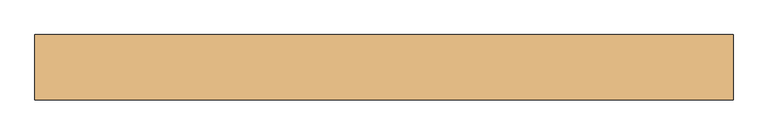
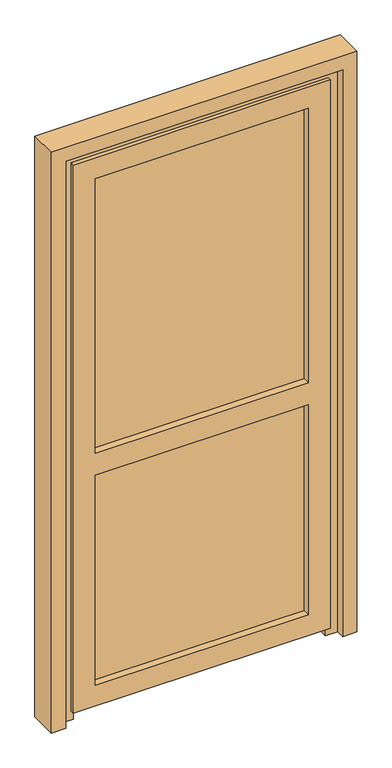
"""IFC4 building model written with IfcOpenShell, lengths in millimetres: door geometry."""

from ifc_helpers import new_model, si_unit, frame, origin, place, context, project, spatial, polyline, outline, extrude, faceted_brep, source, transform, mapped, element, save


def door_e8e77065(model_context):
    return source(origin(), model_context, "Body", "SolidModel", [
        extrude(outline(polyline([(-388.0, 23.0), (388.0, 23.0), (388.0, -1.0), (-388.0, -1.0), (-388.0, 23.0)])), frame((0.0, 0.0, 956.0), z_axis=(0.0, 0.0, 1.0), x_axis=(1.0, 0.0, 0.0)), (0.0, 0.0, 1.0), 1047.0),
        extrude(outline(polyline([(-388.0, 23.0), (388.0, 23.0), (388.0, -1.0), (-388.0, -1.0), (-388.0, 23.0)])), frame((0.0, 0.0, 97.0), z_axis=(0.0, 0.0, 1.0), x_axis=(1.0, 0.0, 0.0)), (0.0, 0.0, 1.0), 807.0),
        faceted_brep([(-373.0, -27.0, 112.0), (-373.0, -1.0, 112.0), (-373.0, -1.0, 889.0), (-373.0, -27.0, 889.0), (-373.0, -1.0, 1988.0), (-373.0, -27.0, 1988.0), (-373.0, -27.0, 971.0), (-373.0, -1.0, 971.0), (-388.0, -1.0, 904.0), (-388.0, -1.0, 97.0), (-388.0, 23.0, 97.0), (-388.0, 23.0, 904.0), (-388.0, 23.0, 956.0), (-388.0, 23.0, 2003.0), (-388.0, -1.0, 2003.0), (-388.0, -1.0, 956.0), (-373.0, 23.0, 112.0), (-373.0, 43.0, 112.0), (-373.0, 43.0, 889.0), (-373.0, 23.0, 889.0), (-373.0, 43.0, 1988.0), (-373.0, 23.0, 1988.0), (-373.0, 23.0, 971.0), (-373.0, 43.0, 971.0), (-430.0, -13.0, 2045.0), (-430.0, 43.0, 2045.0), (-430.0, 43.0, 55.0), (-430.0, -13.0, 55.0), (-430.0, -13.0, 889.0), (-430.0, -13.0, 971.0), (-450.0, -27.0, 2065.0), (-450.0, -13.0, 2065.0), (-450.0, -13.0, 35.0), (-450.0, -27.0, 35.0), (373.0, -27.0, 112.0), (373.0, -1.0, 112.0), (388.0, -1.0, 97.0), (388.0, 23.0, 97.0), (373.0, 23.0, 112.0), (373.0, 43.0, 112.0), (430.0, 43.0, 55.0), (430.0, -13.0, 55.0), (450.0, -13.0, 35.0), (450.0, -27.0, 35.0), (373.0, -27.0, 889.0), (373.0, -1.0, 889.0), (373.0, -27.0, 1988.0), (373.0, -1.0, 1988.0), (373.0, -1.0, 971.0), (373.0, -27.0, 971.0), (388.0, -1.0, 956.0), (388.0, -1.0, 2003.0), (388.0, 23.0, 2003.0), (388.0, 23.0, 956.0), (388.0, 23.0, 904.0), (388.0, -1.0, 904.0), (373.0, 23.0, 889.0), (373.0, 43.0, 889.0), (373.0, 23.0, 1988.0), (373.0, 43.0, 1988.0), (373.0, 43.0, 971.0), (373.0, 23.0, 971.0), (430.0, 43.0, 2045.0), (430.0, -13.0, 2045.0), (430.0, -13.0, 971.0), (430.0, -13.0, 889.0), (450.0, -13.0, 2065.0), (450.0, -27.0, 2065.0)], [[[0, 1, 2, 3]], [[4, 5, 6, 7]], [[8, 9, 10, 11]], [[12, 13, 14, 15]], [[16, 17, 18, 19]], [[20, 21, 22, 23]], [[24, 25, 26, 27, 28, 29]], [[30, 31, 32, 33]], [[1, 0, 34, 35]], [[10, 9, 36, 37]], [[17, 16, 38, 39]], [[27, 26, 40, 41]], [[33, 32, 42, 43]], [[35, 34, 44, 45]], [[46, 47, 48, 49]], [[50, 51, 52, 53]], [[54, 37, 36, 55]], [[39, 38, 56, 57]], [[58, 59, 60, 61]], [[41, 40, 62, 63, 64, 65]], [[43, 42, 66, 67]], [[5, 4, 47, 46]], [[36, 9, 8, 55], [1, 35, 45, 2]], [[14, 51, 50, 15], [47, 4, 7, 48]], [[14, 13, 52, 51]], [[10, 37, 54, 11], [16, 19, 56, 38]], [[52, 13, 12, 53], [58, 61, 22, 21]], [[21, 20, 59, 58]], [[40, 26, 25, 62], [20, 23, 60, 59], [17, 39, 57, 18]], [[25, 24, 63, 62]], [[32, 31, 66, 42], [27, 41, 65, 64, 63, 24, 29, 28]], [[31, 30, 67, 66]], [[30, 33, 43, 67], [34, 0, 3, 44], [46, 49, 6, 5]], [[22, 61, 60, 23]], [[56, 19, 18, 57]], [[11, 54, 55, 8]], [[44, 3, 2, 45]], [[6, 49, 48, 7]], [[53, 12, 15, 50]]]),
        faceted_brep([(422.0, 59.0, 0.0), (485.0, 59.0, 0.0), (485.0, -11.0, 0.0), (442.0, -11.0, 0.0), (442.0, 45.0, 0.0), (422.0, 45.0, 0.0), (422.0, 59.0, 2037.0), (-422.0, 59.0, 2037.0), (-422.0, 59.0, 0.0), (-485.0, 59.0, 0.0), (-485.0, 59.0, 2100.0), (485.0, 59.0, 2100.0), (485.0, -11.0, 2100.0), (-485.0, -11.0, 2100.0), (-485.0, -11.0, 0.0), (-442.0, -11.0, 0.0), (-442.0, -11.0, 2057.0), (442.0, -11.0, 2057.0), (442.0, 45.0, 2057.0), (-442.0, 45.0, 2057.0), (-442.0, 45.0, 0.0), (-422.0, 45.0, 0.0), (-422.0, 45.0, 2037.0), (422.0, 45.0, 2037.0)], [[[0, 1, 2, 3, 4, 5]], [[1, 0, 6, 7, 8, 9, 10, 11]], [[2, 1, 11, 12]], [[3, 2, 12, 13, 14, 15, 16, 17]], [[4, 3, 17, 18]], [[5, 4, 18, 19, 20, 21, 22, 23]], [[0, 5, 23, 6]], [[7, 22, 21, 8]], [[8, 21, 20, 15, 14, 9]], [[13, 10, 9, 14]], [[19, 16, 15, 20]], [[12, 11, 10, 13]], [[18, 17, 16, 19]], [[6, 23, 22, 7]]]),
        extrude(outline(polyline([(0.0, 485.0), (0.0, 535.0), (2150.0, 535.0), (2150.0, -535.0), (0.0, -535.0), (0.0, -485.0), (2100.0, -485.0), (2100.0, 485.0), (0.0, 485.0)])), frame((0.0, -41.0, 0.0), z_axis=(0.0, 1.0, 0.0), x_axis=(0.0, 0.0, 1.0)), (0.0, 0.0, 1.0), 100.0),
    ])


if __name__ == "__main__":
    model = new_model("IFC4")
    model_context = context("Model", 3, world=origin())
    ifc_project = project(units=[si_unit("LENGTHUNIT", "METRE", prefix="MILLI")], contexts=[model_context])
    site = spatial("IfcSite", under=ifc_project)
    building = spatial("IfcBuilding", under=site)
    placement = place(None, origin())
    door_shape = door_e8e77065(model_context)
    element("IfcDoor", 1, at=placement, inside=building, context=model_context, shape_type="MappedRepresentation", body=[
        mapped(door_shape, transform((0.0, 0.0, 0.0), x_axis=(1.0, 0.0, 0.0), y_axis=(0.0, 1.0, 0.0), z_axis=(0.0, 0.0, 1.0))),
    ])
    save(model, "model.ifc")
